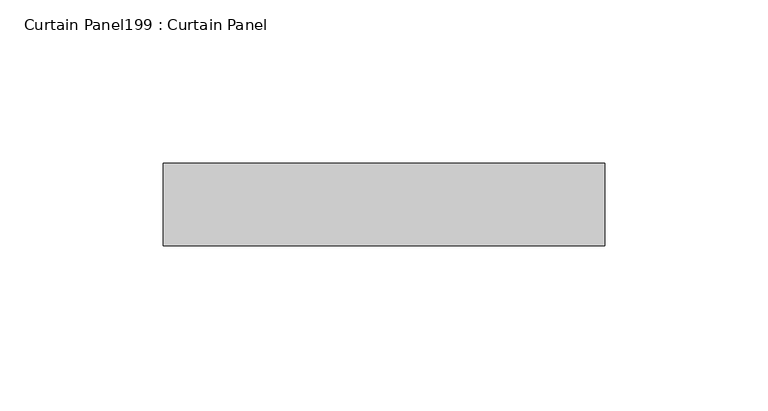
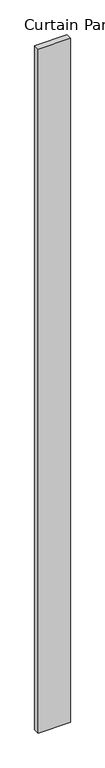
"""IFC4 building model written with IfcOpenShell, lengths in millimetres: plate geometry, Curtain Panel199 : Curtain Panel."""

from ifc_helpers import new_model, si_unit, frame, origin, place, context, project, spatial, polyline, outline, extrude, source, transform, mapped, element, save


def curtain_panel199_curtain_panel_956ab315(model_context):
    return source(origin(), model_context, "Body", "SweptSolid", [
        extrude(outline(polyline([(606269.8773815, 2927.3975836), (606134.3824294, 2927.3975836), (606134.3824294, 2952.7975836), (606269.8773815, 2952.7975836), (606269.8773815, 2927.3975836)])), frame((0.0, 0.0, 4959.7989371), z_axis=(0.0, 0.0, 1.0), x_axis=(1.0, 0.0, 0.0)), (0.0, 0.0, 1.0), 3048.0),
    ])


if __name__ == "__main__":
    model = new_model("IFC4")
    model_context = context("Model", 3, world=origin())
    ifc_project = project(units=[si_unit("LENGTHUNIT", "METRE", prefix="MILLI")], contexts=[model_context])
    site = spatial("IfcSite", under=ifc_project)
    building = spatial("IfcBuilding", under=site)
    placement = place(None, origin())
    curtain_panel199_curtain_panel_shape = curtain_panel199_curtain_panel_956ab315(model_context)
    element("IfcPlate", 1, ObjectType="Curtain Panel199 : Curtain Panel", at=placement, inside=building, context=model_context, shape_type="MappedRepresentation", body=[
        mapped(curtain_panel199_curtain_panel_shape, transform((0.0, 0.0, 0.0), x_axis=(1.0, 0.0, 0.0), y_axis=(0.0, 1.0, 0.0), z_axis=(0.0, 0.0, 1.0))),
    ])
    save(model, "model.ifc")
